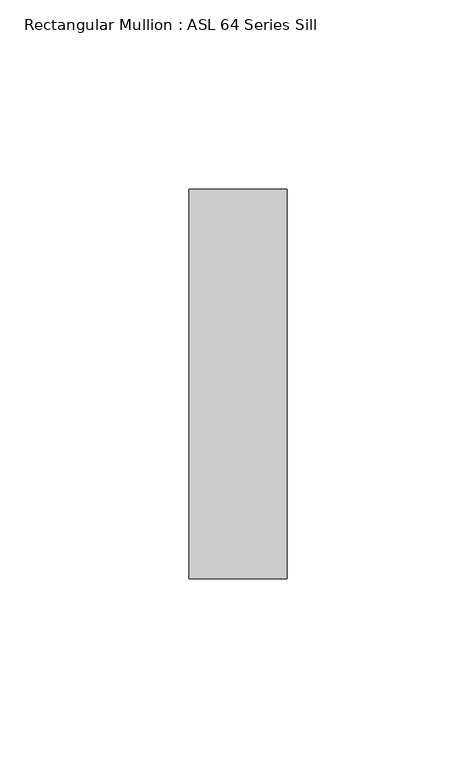
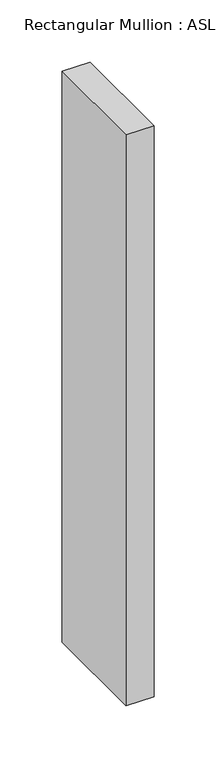
"""IFC4 building model written with IfcOpenShell, lengths in millimetres: member geometry, Rectangular Mullion : ASL 64 Series Sill."""

from ifc_helpers import new_model, si_unit, frame, origin, place, context, project, spatial, polyline, outline, extrude, source, transform, mapped, element, save


def rectangular_mullion_asl_64_series_sill_87e5b32d(model_context):
    return source(origin(), model_context, "Body", "SweptSolid", [
        extrude(outline(polyline([(-26.0, 51.5), (0.0, 51.5), (0.0, -51.5), (-26.0, -51.5), (-26.0, 51.5)])), frame((0.0, 0.0, -561.0), z_axis=(0.0, 0.0, 1.0), x_axis=(1.0, 0.0, 0.0)), (0.0, 0.0, 1.0), 561.0),
    ])


if __name__ == "__main__":
    model = new_model("IFC4")
    model_context = context("Model", 3, world=origin())
    ifc_project = project(units=[si_unit("LENGTHUNIT", "METRE", prefix="MILLI")], contexts=[model_context])
    site = spatial("IfcSite", under=ifc_project)
    building = spatial("IfcBuilding", under=site)
    placement = place(None, origin())
    rectangular_mullion_asl_64_series_sill_shape = rectangular_mullion_asl_64_series_sill_87e5b32d(model_context)
    element("IfcMember", 1, ObjectType="Rectangular Mullion : ASL 64 Series Sill", at=placement, inside=building, context=model_context, shape_type="MappedRepresentation", body=[
        mapped(rectangular_mullion_asl_64_series_sill_shape, transform((0.0, 0.0, 0.0), x_axis=(1.0, 0.0, 0.0), y_axis=(0.0, 1.0, 0.0), z_axis=(0.0, 0.0, 1.0))),
    ])
    save(model, "model.ifc")
